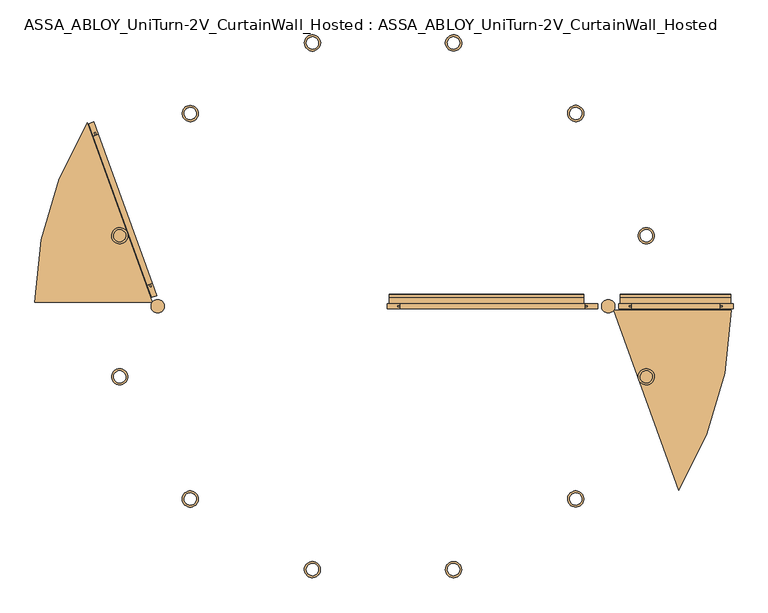
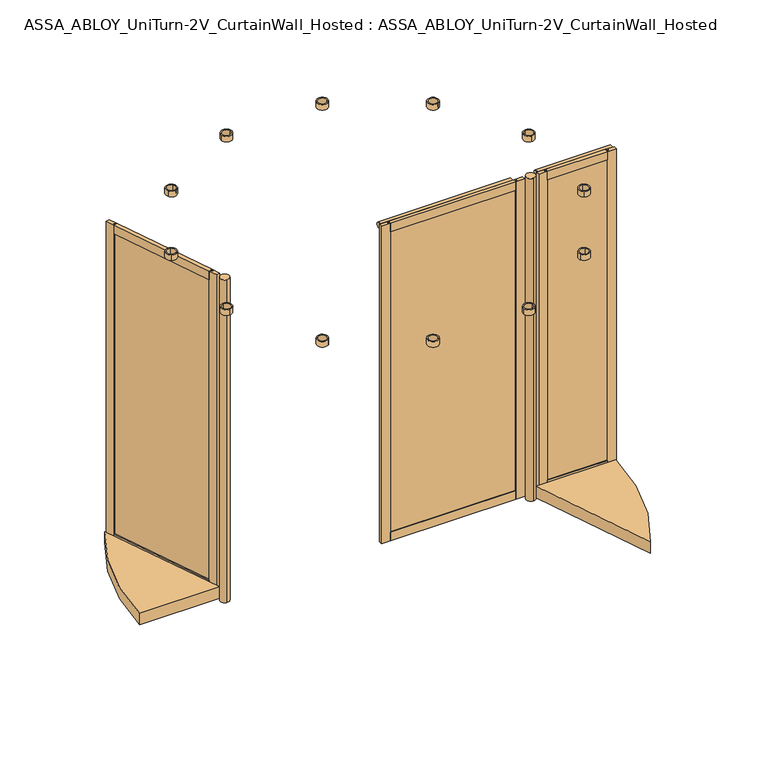
"""IFC4 building model written with IfcOpenShell, lengths in millimetres: door geometry, ASSA_ABLOY_UniTurn-2V_CurtainWall_Hosted : ASSA_ABLOY_UniTurn-2V_CurtainWall_Hosted."""

from ifc_helpers import new_model, si_unit, point, frame, frame_2d, origin, origin_with_axes, origin_2d, place, context, project, spatial, polyline, circle_curve, trimmed, segment, composite_curve, outline, extrude, source, transform, mapped, element, save


def assa_abloy_uniturn_2v_curtainwall_hosted_assa_abloy_uniturn_cdcaaee9(model_context):
    return source(origin(), model_context, "Body", "SweptSolid", [
        extrude(outline(polyline([(1684.0, -5.0), (1216.6, -5.0), (1216.6, 5.0), (1684.0, 5.0), (1684.0, -5.0)])), frame((0.0, 0.0, 90.0), z_axis=(0.0, 0.0, 1.0), x_axis=(1.0, 0.0, 0.0)), (0.0, 0.0, 1.0), 2346.0),
        extrude(outline(polyline([(-13.0, 2486.0), (13.0, 2486.0), (13.0, 2421.0), (5.0, 2421.0), (5.0, 2436.0), (-5.0, 2436.0), (-5.0, 2421.0), (-13.0, 2421.0), (-13.0, 2486.0)])), frame((1231.6, 0.0, 0.0), z_axis=(1.0, 0.0, 0.0), x_axis=(0.0, 1.0, 0.0)), (0.0, 0.0, 1.0), 437.4),
        extrude(outline(polyline([(13.0, 105.0), (13.0, 40.0), (-13.0, 40.0), (-13.0, 105.0), (-5.0, 105.0), (-5.0, 90.0), (5.0, 90.0), (5.0, 105.0), (13.0, 105.0)])), frame((1231.6, 0.0, 0.0), z_axis=(1.0, 0.0, 0.0), x_axis=(0.0, 1.0, 0.0)), (0.0, 0.0, 1.0), 437.4),
        extrude(outline(polyline([(1669.0, 13.0), (1734.0, 13.0), (1734.0, -13.0), (1669.0, -13.0), (1669.0, -5.0), (1684.0, -5.0), (1684.0, 5.0), (1669.0, 5.0), (1669.0, 13.0)])), frame((0.0, 0.0, 40.0), z_axis=(0.0, 0.0, 1.0), x_axis=(1.0, 0.0, 0.0)), (0.0, 0.0, 1.0), 2446.0),
        extrude(outline(polyline([(1231.6, 13.0), (1231.6, 5.0), (1216.6, 5.0), (1216.6, -5.0), (1231.6, -5.0), (1231.6, -13.0), (1166.6, -13.0), (1166.6, 13.0), (1231.6, 13.0)])), frame((0.0, 0.0, 40.0), z_axis=(0.0, 0.0, 1.0), x_axis=(1.0, 0.0, 0.0)), (0.0, 0.0, 1.0), 2446.0),
        extrude(outline(polyline([(13.0, 2486.0), (42.9913329, 2486.0), (42.9913329, 2483.0), (15.9913329, 2483.0), (15.9913329, 2437.8850542), (13.0, 2437.8850542), (13.0, 2486.0)])), frame((1175.6, 0.0, 0.0), z_axis=(1.0, 0.0, 0.0), x_axis=(0.0, 1.0, 0.0)), (0.0, 0.0, 1.0), 547.4),
        extrude(outline(composite_curve([segment(trimmed(circle_curve(frame_2d((49.9982937, 2460.5)), 10.0), [point((59.546092, 2463.4731378))], [point((59.546092, 2457.5268622))], False, "CARTESIAN"), True, "CONTINUOUS"), segment(trimmed(circle_curve(frame_2d((32.8695926, 2465.8337939)), 27.9399487), [point((59.546092, 2457.5268622))], [point((57.511364, 2452.6647456))], False, "CARTESIAN"), True, "CONTINUOUS"), segment(trimmed(circle_curve(frame_2d((32.8695926, 2465.8337939)), 27.9399487), [point((57.511364, 2452.6647456))], [point((35.3028312, 2438.0))], False, "CARTESIAN"), True, "CONTINUOUS"), segment(polyline([(35.3028312, 2438.0), (15.9913329, 2438.0), (15.9913329, 2483.0), (35.3028312, 2483.0)]), True, "CONTINUOUS"), segment(trimmed(circle_curve(frame_2d((32.8695926, 2455.1662061)), 27.9399487), [point((35.3028312, 2483.0))], [point((59.546092, 2463.4731378))], False, "CARTESIAN"), True, "CONTINUOUS")], self_intersect=False)), frame((1175.6, 0.0, 0.0), z_axis=(1.0, 0.0, 0.0), x_axis=(0.0, 1.0, 0.0)), (0.0, 0.0, 1.0), 547.4),
        extrude(outline(polyline([(-1145.3259997, 96.5821419), (-1154.7294749, 93.1799876), (-1432.1859526, 860.0632177), (-1422.7824774, 863.465372), (-1145.3259997, 96.5821419)])), frame((0.0, 0.0, 90.0), z_axis=(0.0, 0.0, 1.0), x_axis=(1.0, 0.0, 0.0)), (0.0, 0.0, 1.0), 2346.0),
        extrude(outline(polyline([(-26.0, 0.0), (0.0, 0.0), (0.0, -65.0), (-8.0, -65.0), (-8.0, -50.0), (-18.0, -50.0), (-18.0, -65.0), (-26.0, -65.0), (-26.0, 0.0)])), frame((-1167.3554865, 104.5634769, 2486.0), z_axis=(-0.3402154337922676, 0.9403475201272875, 0.0), x_axis=(-0.9403475201272875, -0.3402154337922676, 0.0)), (0.0, 0.0, 1.0), 785.5317195),
        extrude(outline(polyline([(-65.0, 0.0), (0.0, 0.0), (0.0, -26.0), (-65.0, -26.0), (-65.0, -18.0), (-50.0, -18.0), (-50.0, -8.0), (-65.0, -8.0), (-65.0, 0.0)])), frame((-1167.3554865, 104.5634769, 40.0), z_axis=(-0.3402154337922676, 0.9403475201272875, 0.0), x_axis=(0.0, 0.0, -1.0)), (0.0, 0.0, 1.0), 785.5317195),
        extrude(outline(polyline([(-1167.3554865, 104.5634769), (-1159.8327064, 107.2852004), (-1154.7294749, 93.1799876), (-1145.3259997, 96.5821419), (-1150.4292312, 110.6873548), (-1142.906451, 113.4090782), (-1120.7924478, 52.2864894), (-1145.2414833, 43.4408881), (-1167.3554865, 104.5634769)])), frame((0.0, 0.0, 40.0), z_axis=(0.0, 0.0, 1.0), x_axis=(1.0, 0.0, 0.0)), (0.0, 0.0, 1.0), 2446.0),
        extrude(outline(polyline([(-1434.6055013, 843.2362814), (-1456.7195045, 904.3588702), (-1432.2704689, 913.2044715), (-1410.1564657, 852.0818827), (-1417.6792459, 849.3601592), (-1422.7824774, 863.465372), (-1432.1859526, 860.0632177), (-1427.0827211, 845.9580049), (-1434.6055013, 843.2362814)])), frame((0.0, 0.0, 40.0), z_axis=(0.0, 0.0, 1.0), x_axis=(1.0, 0.0, 0.0)), (0.0, 0.0, 1.0), 2446.0),
        extrude(outline(polyline([(1014.8, -5.0), (70.85, -5.0), (70.85, 5.0), (1014.8, 5.0), (1014.8, -5.0)])), frame((0.0, 0.0, 90.0), z_axis=(0.0, 0.0, 1.0), x_axis=(1.0, 0.0, 0.0)), (0.0, 0.0, 1.0), 2346.0),
        extrude(outline(polyline([(-13.0, 2486.0), (13.0, 2486.0), (13.0, 2421.0), (5.0, 2421.0), (5.0, 2436.0), (-5.0, 2436.0), (-5.0, 2421.0), (-13.0, 2421.0), (-13.0, 2486.0)])), frame((85.85, 0.0, 0.0), z_axis=(1.0, 0.0, 0.0), x_axis=(0.0, 1.0, 0.0)), (0.0, 0.0, 1.0), 913.95),
        extrude(outline(polyline([(13.0, 105.0), (13.0, 40.0), (-13.0, 40.0), (-13.0, 105.0), (-5.0, 105.0), (-5.0, 90.0), (5.0, 90.0), (5.0, 105.0), (13.0, 105.0)])), frame((85.85, 0.0, 0.0), z_axis=(1.0, 0.0, 0.0), x_axis=(0.0, 1.0, 0.0)), (0.0, 0.0, 1.0), 913.95),
        extrude(outline(polyline([(999.8, 13.0), (1064.8, 13.0), (1064.8, -13.0), (999.8, -13.0), (999.8, -5.0), (1014.8, -5.0), (1014.8, 5.0), (999.8, 5.0), (999.8, 13.0)])), frame((0.0, 0.0, 40.0), z_axis=(0.0, 0.0, 1.0), x_axis=(1.0, 0.0, 0.0)), (0.0, 0.0, 1.0), 2446.0),
        extrude(outline(polyline([(85.85, 13.0), (85.85, 5.0), (70.85, 5.0), (70.85, -5.0), (85.85, -5.0), (85.85, -13.0), (20.85, -13.0), (20.85, 13.0), (85.85, 13.0)])), frame((0.0, 0.0, 40.0), z_axis=(0.0, 0.0, 1.0), x_axis=(1.0, 0.0, 0.0)), (0.0, 0.0, 1.0), 2446.0),
        extrude(outline(polyline([(13.0, 2486.0), (42.9913329, 2486.0), (42.9913329, 2483.0), (15.9913329, 2483.0), (15.9913329, 2437.8850542), (13.0, 2437.8850542), (13.0, 2486.0)])), frame((29.85, 0.0, 0.0), z_axis=(1.0, 0.0, 0.0), x_axis=(0.0, 1.0, 0.0)), (0.0, 0.0, 1.0), 964.68),
        extrude(outline(composite_curve([segment(trimmed(circle_curve(frame_2d((49.9982937, 2460.5)), 10.0), [point((59.546092, 2463.4731378))], [point((59.546092, 2457.5268622))], False, "CARTESIAN"), True, "CONTINUOUS"), segment(trimmed(circle_curve(frame_2d((32.8695926, 2465.8337939)), 27.9399487), [point((59.546092, 2457.5268622))], [point((57.511364, 2452.6647456))], False, "CARTESIAN"), True, "CONTINUOUS"), segment(trimmed(circle_curve(frame_2d((32.8695926, 2465.8337939)), 27.9399487), [point((57.511364, 2452.6647456))], [point((35.3028312, 2438.0))], False, "CARTESIAN"), True, "CONTINUOUS"), segment(polyline([(35.3028312, 2438.0), (15.9913329, 2438.0), (15.9913329, 2483.0), (35.3028312, 2483.0)]), True, "CONTINUOUS"), segment(trimmed(circle_curve(frame_2d((32.8695926, 2455.1662061)), 27.9399487), [point((35.3028312, 2483.0))], [point((59.546092, 2463.4731378))], False, "CARTESIAN"), True, "CONTINUOUS")], self_intersect=False)), frame((29.85, 0.0, 0.0), z_axis=(1.0, 0.0, 0.0), x_axis=(0.0, 1.0, 0.0)), (0.0, 0.0, 1.0), 964.68),
        extrude(outline(composite_curve([segment(trimmed(circle_curve(origin_2d(), 1724.0), [point((1723.8839868, -20.0))], [point((1464.1470738, -910.1919283))], False, "CARTESIAN"), True, "CONTINUOUS"), segment(polyline([(1464.1470738, -910.1919283), (1142.0778105, -20.0), (1723.8839868, -20.0)]), True, "CONTINUOUS")], self_intersect=False)), frame((0.0, 0.0, 8.0), z_axis=(0.0, 0.0, 1.0), x_axis=(1.0, 0.0, 0.0)), (0.0, 0.0, 1.0), 87.0),
        extrude(outline(composite_curve([segment(trimmed(circle_curve(origin_2d(), 1724.0), [point((-1723.8839868, 20.0))], [point((-1464.1470738, 910.1919283))], False, "CARTESIAN"), True, "CONTINUOUS"), segment(polyline([(-1464.1470738, 910.1919283), (-1142.0778105, 20.0), (-1723.8839868, 20.0)]), True, "CONTINUOUS")], self_intersect=False)), frame((0.0, 0.0, 8.0), z_axis=(0.0, 0.0, 1.0), x_axis=(1.0, 0.0, 0.0)), (0.0, 0.0, 1.0), 87.0),
        extrude(outline(composite_curve([segment(trimmed(circle_curve(frame_2d((1115.7, 0.0)), 33.0), [point((1115.7, -33.0))], [point((1115.7, 33.0))], False, "CARTESIAN"), True, "CONTINUOUS"), segment(trimmed(circle_curve(frame_2d((1115.7, 0.0)), 33.0), [point((1115.7, 33.0))], [point((1115.7, -33.0))], False, "CARTESIAN"), True, "CONTINUOUS")], self_intersect=False)), origin_with_axes(), (0.0, 0.0, 1.0), 2486.0),
        extrude(outline(composite_curve([segment(trimmed(circle_curve(frame_2d((-1115.7, 0.0)), 33.0), [point((-1115.7, -33.0))], [point((-1115.7, 33.0))], False, "CARTESIAN"), True, "CONTINUOUS"), segment(trimmed(circle_curve(frame_2d((-1115.7, 0.0)), 33.0), [point((-1115.7, 33.0))], [point((-1115.7, -33.0))], False, "CARTESIAN"), True, "CONTINUOUS")], self_intersect=False)), origin_with_axes(), (0.0, 0.0, 1.0), 2486.0),
        extrude(outline(composite_curve([segment(trimmed(circle_curve(frame_2d((-954.5941546, -954.5941546)), 40.0), [point((-934.5941546, -989.2351708))], [point((-974.5941546, -919.9531385))], False, "CARTESIAN"), True, "CONTINUOUS"), segment(trimmed(circle_curve(frame_2d((-954.5941546, -954.5941546)), 40.0), [point((-974.5941546, -919.9531385))], [point((-934.5941546, -989.2351708))], False, "CARTESIAN"), True, "CONTINUOUS")], self_intersect=False), holes=[composite_curve([segment(trimmed(circle_curve(frame_2d((-954.5941546, -954.5941546)), 30.0), [point((-975.807358, -933.3809512))], [point((-933.3809512, -975.807358))], True, "CARTESIAN"), True, "CONTINUOUS"), segment(trimmed(circle_curve(frame_2d((-954.5941546, -954.5941546)), 30.0), [point((-933.3809512, -975.807358))], [point((-975.807358, -933.3809512))], True, "CARTESIAN"), True, "CONTINUOUS")], self_intersect=False)]), frame((0.0, 0.0, 2496.2), z_axis=(0.0, 0.0, 1.0), x_axis=(1.0, 0.0, 0.0)), (0.0, 0.0, 1.0), 42.8),
        extrude(outline(composite_curve([segment(trimmed(circle_curve(frame_2d((-1303.9998655, -349.4057109)), 40.0), [point((-1303.9998655, -389.4057109))], [point((-1303.9998655, -309.4057109))], False, "CARTESIAN"), True, "CONTINUOUS"), segment(trimmed(circle_curve(frame_2d((-1303.9998655, -349.4057109)), 40.0), [point((-1303.9998655, -309.4057109))], [point((-1303.9998655, -389.4057109))], False, "CARTESIAN"), True, "CONTINUOUS")], self_intersect=False), holes=[composite_curve([segment(trimmed(circle_curve(frame_2d((-1303.9998655, -349.4057109)), 30.0), [point((-1311.7644368, -320.4279361))], [point((-1296.2352941, -378.3834857))], True, "CARTESIAN"), True, "CONTINUOUS"), segment(trimmed(circle_curve(frame_2d((-1303.9998655, -349.4057109)), 30.0), [point((-1296.2352941, -378.3834857))], [point((-1311.7644368, -320.4279361))], True, "CARTESIAN"), True, "CONTINUOUS")], self_intersect=False)]), frame((0.0, 0.0, 2496.2), z_axis=(0.0, 0.0, 1.0), x_axis=(1.0, 0.0, 0.0)), (0.0, 0.0, 1.0), 42.8),
        extrude(outline(composite_curve([segment(trimmed(circle_curve(frame_2d((-1303.9998655, 349.4057109)), 40.0), [point((-1323.9998655, 314.7646947))], [point((-1283.9998655, 384.046727))], False, "CARTESIAN"), True, "CONTINUOUS"), segment(trimmed(circle_curve(frame_2d((-1303.9998655, 349.4057109)), 40.0), [point((-1283.9998655, 384.046727))], [point((-1323.9998655, 314.7646947))], False, "CARTESIAN"), True, "CONTINUOUS")], self_intersect=False), holes=[composite_curve([segment(trimmed(circle_curve(frame_2d((-1303.9998655, 349.4057109)), 30.0), [point((-1296.2352941, 378.3834857))], [point((-1311.7644368, 320.4279361))], True, "CARTESIAN"), True, "CONTINUOUS"), segment(trimmed(circle_curve(frame_2d((-1303.9998655, 349.4057109)), 30.0), [point((-1311.7644368, 320.4279361))], [point((-1296.2352941, 378.3834857))], True, "CARTESIAN"), True, "CONTINUOUS")], self_intersect=False)]), frame((0.0, 0.0, 2496.2), z_axis=(0.0, 0.0, 1.0), x_axis=(1.0, 0.0, 0.0)), (0.0, 0.0, 1.0), 42.8),
        extrude(outline(composite_curve([segment(trimmed(circle_curve(frame_2d((-954.5941546, 954.5941546)), 40.0), [point((-989.2351708, 934.5941546))], [point((-919.9531385, 974.5941546))], False, "CARTESIAN"), True, "CONTINUOUS"), segment(trimmed(circle_curve(frame_2d((-954.5941546, 954.5941546)), 40.0), [point((-919.9531385, 974.5941546))], [point((-989.2351708, 934.5941546))], False, "CARTESIAN"), True, "CONTINUOUS")], self_intersect=False), holes=[composite_curve([segment(trimmed(circle_curve(frame_2d((-954.5941546, 954.5941546)), 30.0), [point((-933.3809512, 975.807358))], [point((-975.807358, 933.3809512))], True, "CARTESIAN"), True, "CONTINUOUS"), segment(trimmed(circle_curve(frame_2d((-954.5941546, 954.5941546)), 30.0), [point((-975.807358, 933.3809512))], [point((-933.3809512, 975.807358))], True, "CARTESIAN"), True, "CONTINUOUS")], self_intersect=False)]), frame((0.0, 0.0, 2496.2), z_axis=(0.0, 0.0, 1.0), x_axis=(1.0, 0.0, 0.0)), (0.0, 0.0, 1.0), 42.8),
        extrude(outline(composite_curve([segment(trimmed(circle_curve(frame_2d((-349.4057109, 1303.9998655)), 40.0), [point((-389.4057109, 1303.9998655))], [point((-309.4057109, 1303.9998655))], False, "CARTESIAN"), True, "CONTINUOUS"), segment(trimmed(circle_curve(frame_2d((-349.4057109, 1303.9998655)), 40.0), [point((-309.4057109, 1303.9998655))], [point((-389.4057109, 1303.9998655))], False, "CARTESIAN"), True, "CONTINUOUS")], self_intersect=False), holes=[composite_curve([segment(trimmed(circle_curve(frame_2d((-349.4057109, 1303.9998655)), 30.0), [point((-320.4279361, 1311.7644368))], [point((-378.3834857, 1296.2352941))], True, "CARTESIAN"), True, "CONTINUOUS"), segment(trimmed(circle_curve(frame_2d((-349.4057109, 1303.9998655)), 30.0), [point((-378.3834857, 1296.2352941))], [point((-320.4279361, 1311.7644368))], True, "CARTESIAN"), True, "CONTINUOUS")], self_intersect=False)]), frame((0.0, 0.0, 2496.2), z_axis=(0.0, 0.0, 1.0), x_axis=(1.0, 0.0, 0.0)), (0.0, 0.0, 1.0), 42.8),
        extrude(outline(composite_curve([segment(trimmed(circle_curve(frame_2d((349.4057109, 1303.9998655)), 40.0), [point((314.7646947, 1323.9998655))], [point((384.046727, 1283.9998655))], False, "CARTESIAN"), True, "CONTINUOUS"), segment(trimmed(circle_curve(frame_2d((349.4057109, 1303.9998655)), 40.0), [point((384.046727, 1283.9998655))], [point((314.7646947, 1323.9998655))], False, "CARTESIAN"), True, "CONTINUOUS")], self_intersect=False), holes=[composite_curve([segment(trimmed(circle_curve(frame_2d((349.4057109, 1303.9998655)), 30.0), [point((378.3834857, 1296.2352941))], [point((320.4279361, 1311.7644368))], True, "CARTESIAN"), True, "CONTINUOUS"), segment(trimmed(circle_curve(frame_2d((349.4057109, 1303.9998655)), 30.0), [point((320.4279361, 1311.7644368))], [point((378.3834857, 1296.2352941))], True, "CARTESIAN"), True, "CONTINUOUS")], self_intersect=False)]), frame((0.0, 0.0, 2496.2), z_axis=(0.0, 0.0, 1.0), x_axis=(1.0, 0.0, 0.0)), (0.0, 0.0, 1.0), 42.8),
        extrude(outline(composite_curve([segment(trimmed(circle_curve(frame_2d((954.5941546, 954.5941546)), 40.0), [point((934.5941546, 989.2351708))], [point((974.5941546, 919.9531385))], False, "CARTESIAN"), True, "CONTINUOUS"), segment(trimmed(circle_curve(frame_2d((954.5941546, 954.5941546)), 40.0), [point((974.5941546, 919.9531385))], [point((934.5941546, 989.2351708))], False, "CARTESIAN"), True, "CONTINUOUS")], self_intersect=False), holes=[composite_curve([segment(trimmed(circle_curve(frame_2d((954.5941546, 954.5941546)), 30.0), [point((975.807358, 933.3809512))], [point((933.3809512, 975.807358))], True, "CARTESIAN"), True, "CONTINUOUS"), segment(trimmed(circle_curve(frame_2d((954.5941546, 954.5941546)), 30.0), [point((933.3809512, 975.807358))], [point((975.807358, 933.3809512))], True, "CARTESIAN"), True, "CONTINUOUS")], self_intersect=False)]), frame((0.0, 0.0, 2496.2), z_axis=(0.0, 0.0, 1.0), x_axis=(1.0, 0.0, 0.0)), (0.0, 0.0, 1.0), 42.8),
        extrude(outline(composite_curve([segment(trimmed(circle_curve(frame_2d((1303.9998655, 349.4057109)), 40.0), [point((1303.9998655, 389.4057109))], [point((1303.9998655, 309.4057109))], False, "CARTESIAN"), True, "CONTINUOUS"), segment(trimmed(circle_curve(frame_2d((1303.9998655, 349.4057109)), 40.0), [point((1303.9998655, 309.4057109))], [point((1303.9998655, 389.4057109))], False, "CARTESIAN"), True, "CONTINUOUS")], self_intersect=False), holes=[composite_curve([segment(trimmed(circle_curve(frame_2d((1303.9998655, 349.4057109)), 30.0), [point((1311.7644368, 320.4279361))], [point((1296.2352941, 378.3834857))], True, "CARTESIAN"), True, "CONTINUOUS"), segment(trimmed(circle_curve(frame_2d((1303.9998655, 349.4057109)), 30.0), [point((1296.2352941, 378.3834857))], [point((1311.7644368, 320.4279361))], True, "CARTESIAN"), True, "CONTINUOUS")], self_intersect=False)]), frame((0.0, 0.0, 2496.2), z_axis=(0.0, 0.0, 1.0), x_axis=(1.0, 0.0, 0.0)), (0.0, 0.0, 1.0), 42.8),
        extrude(outline(composite_curve([segment(trimmed(circle_curve(frame_2d((1303.9998655, -349.4057109)), 40.0), [point((1323.9998655, -314.7646947))], [point((1283.9998655, -384.046727))], False, "CARTESIAN"), True, "CONTINUOUS"), segment(trimmed(circle_curve(frame_2d((1303.9998655, -349.4057109)), 40.0), [point((1283.9998655, -384.046727))], [point((1323.9998655, -314.7646947))], False, "CARTESIAN"), True, "CONTINUOUS")], self_intersect=False), holes=[composite_curve([segment(trimmed(circle_curve(frame_2d((1303.9998655, -349.4057109)), 30.0), [point((1296.2352941, -378.3834857))], [point((1311.7644368, -320.4279361))], True, "CARTESIAN"), True, "CONTINUOUS"), segment(trimmed(circle_curve(frame_2d((1303.9998655, -349.4057109)), 30.0), [point((1311.7644368, -320.4279361))], [point((1296.2352941, -378.3834857))], True, "CARTESIAN"), True, "CONTINUOUS")], self_intersect=False)]), frame((0.0, 0.0, 2496.2), z_axis=(0.0, 0.0, 1.0), x_axis=(1.0, 0.0, 0.0)), (0.0, 0.0, 1.0), 42.8),
        extrude(outline(composite_curve([segment(trimmed(circle_curve(frame_2d((954.5941546, -954.5941546)), 40.0), [point((989.2351708, -934.5941546))], [point((919.9531385, -974.5941546))], False, "CARTESIAN"), True, "CONTINUOUS"), segment(trimmed(circle_curve(frame_2d((954.5941546, -954.5941546)), 40.0), [point((919.9531385, -974.5941546))], [point((989.2351708, -934.5941546))], False, "CARTESIAN"), True, "CONTINUOUS")], self_intersect=False), holes=[composite_curve([segment(trimmed(circle_curve(frame_2d((954.5941546, -954.5941546)), 30.0), [point((933.3809512, -975.807358))], [point((975.807358, -933.3809512))], True, "CARTESIAN"), True, "CONTINUOUS"), segment(trimmed(circle_curve(frame_2d((954.5941546, -954.5941546)), 30.0), [point((975.807358, -933.3809512))], [point((933.3809512, -975.807358))], True, "CARTESIAN"), True, "CONTINUOUS")], self_intersect=False)]), frame((0.0, 0.0, 2496.2), z_axis=(0.0, 0.0, 1.0), x_axis=(1.0, 0.0, 0.0)), (0.0, 0.0, 1.0), 42.8),
        extrude(outline(composite_curve([segment(trimmed(circle_curve(frame_2d((349.4057109, -1303.9998655)), 40.0), [point((389.4057109, -1303.9998655))], [point((309.4057109, -1303.9998655))], False, "CARTESIAN"), True, "CONTINUOUS"), segment(trimmed(circle_curve(frame_2d((349.4057109, -1303.9998655)), 40.0), [point((309.4057109, -1303.9998655))], [point((389.4057109, -1303.9998655))], False, "CARTESIAN"), True, "CONTINUOUS")], self_intersect=False), holes=[composite_curve([segment(trimmed(circle_curve(frame_2d((349.4057109, -1303.9998655)), 30.0), [point((320.4279361, -1311.7644368))], [point((378.3834857, -1296.2352941))], True, "CARTESIAN"), True, "CONTINUOUS"), segment(trimmed(circle_curve(frame_2d((349.4057109, -1303.9998655)), 30.0), [point((378.3834857, -1296.2352941))], [point((320.4279361, -1311.7644368))], True, "CARTESIAN"), True, "CONTINUOUS")], self_intersect=False)]), frame((0.0, 0.0, 2496.2), z_axis=(0.0, 0.0, 1.0), x_axis=(1.0, 0.0, 0.0)), (0.0, 0.0, 1.0), 42.8),
        extrude(outline(composite_curve([segment(trimmed(circle_curve(frame_2d((-349.4057109, -1303.9998655)), 40.0), [point((-314.7646947, -1323.9998655))], [point((-384.046727, -1283.9998655))], False, "CARTESIAN"), True, "CONTINUOUS"), segment(trimmed(circle_curve(frame_2d((-349.4057109, -1303.9998655)), 40.0), [point((-384.046727, -1283.9998655))], [point((-314.7646947, -1323.9998655))], False, "CARTESIAN"), True, "CONTINUOUS")], self_intersect=False), holes=[composite_curve([segment(trimmed(circle_curve(frame_2d((-349.4057109, -1303.9998655)), 30.0), [point((-378.3834857, -1296.2352941))], [point((-320.4279361, -1311.7644368))], True, "CARTESIAN"), True, "CONTINUOUS"), segment(trimmed(circle_curve(frame_2d((-349.4057109, -1303.9998655)), 30.0), [point((-320.4279361, -1311.7644368))], [point((-378.3834857, -1296.2352941))], True, "CARTESIAN"), True, "CONTINUOUS")], self_intersect=False)]), frame((0.0, 0.0, 2496.2), z_axis=(0.0, 0.0, 1.0), x_axis=(1.0, 0.0, 0.0)), (0.0, 0.0, 1.0), 42.8),
    ])


if __name__ == "__main__":
    model = new_model("IFC4")
    model_context = context("Model", 3, world=origin())
    ifc_project = project(units=[si_unit("LENGTHUNIT", "METRE", prefix="MILLI")], contexts=[model_context])
    site = spatial("IfcSite", under=ifc_project)
    building = spatial("IfcBuilding", under=site)
    placement = place(None, origin())
    assa_abloy_uniturn_2v_curtainwall_hosted_assa_abloy_uniturn_shape = assa_abloy_uniturn_2v_curtainwall_hosted_assa_abloy_uniturn_cdcaaee9(model_context)
    element("IfcDoor", 1, ObjectType="ASSA_ABLOY_UniTurn-2V_CurtainWall_Hosted : ASSA_ABLOY_UniTurn-2V_CurtainWall_Hosted", at=placement, inside=building, context=model_context, shape_type="MappedRepresentation", body=[
        mapped(assa_abloy_uniturn_2v_curtainwall_hosted_assa_abloy_uniturn_shape, transform((0.0, 0.0, 0.0), x_axis=(1.0, 0.0, 0.0), y_axis=(0.0, 1.0, 0.0), z_axis=(0.0, 0.0, 1.0))),
    ])
    save(model, "model.ifc")
